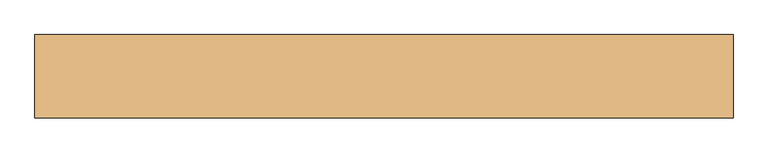
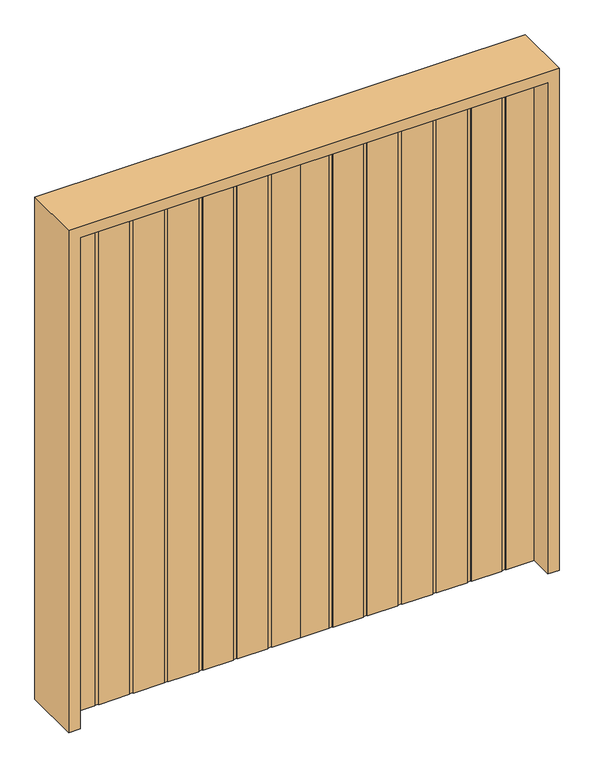
"""IFC4 building model written with IfcOpenShell, lengths in millimetres: door geometry."""

from ifc_helpers import new_model, si_unit, frame, origin, origin_with_axes, place, context, project, spatial, polyline, outline, extrude, source, transform, mapped, element, save


def door_be7a5c12(model_context):
    return source(origin(), model_context, "Body", "SweptSolid", [
        extrude(outline(polyline([(0.0, 22.225), (0.0, -22.225), (-111.2242188, -22.225), (-111.2242188, -19.05), (-126.5039063, -19.05), (-126.5039063, -22.225), (-246.5585938, -22.225), (-246.5585938, -19.05), (-261.8382813, -19.05), (-261.8382813, -22.225), (-381.8929688, -22.225), (-381.8929688, -19.05), (-397.1726563, -19.05), (-397.1726563, -22.225), (-517.2273438, -22.225), (-517.2273438, -19.05), (-532.5070313, -19.05), (-532.5070313, -22.225), (-652.5617188, -22.225), (-652.5617188, -19.05), (-667.8414063, -19.05), (-667.8414063, -22.225), (-787.8960938, -22.225), (-787.8960938, -19.05), (-803.1757813, -19.05), (-803.1757813, -22.225), (-914.4, -22.225), (-914.4, 22.225), (-803.1757813, 22.225), (-803.1757813, 19.05), (-787.8960938, 19.05), (-787.8960938, 22.225), (-667.8414063, 22.225), (-667.8414063, 19.05), (-652.5617188, 19.05), (-652.5617188, 22.225), (-532.5070313, 22.225), (-532.5070313, 19.05), (-517.2273438, 19.05), (-517.2273438, 22.225), (-397.1726563, 22.225), (-397.1726563, 19.05), (-381.8929688, 19.05), (-381.8929688, 22.225), (-261.8382813, 22.225), (-261.8382813, 19.05), (-246.5585938, 19.05), (-246.5585938, 22.225), (-126.5039063, 22.225), (-126.5039063, 19.05), (-111.2242188, 19.05), (-111.2242188, 22.225), (0.0, 22.225)])), origin_with_axes(), (0.0, 0.0, 1.0), 2032.0),
        extrude(outline(polyline([(0.0, 22.225), (111.2242187, 22.225), (111.2242187, 19.05), (126.5039062, 19.05), (126.5039062, 22.225), (246.5585937, 22.225), (246.5585937, 19.05), (261.8382812, 19.05), (261.8382812, 22.225), (381.8929687, 22.225), (381.8929687, 19.05), (397.1726562, 19.05), (397.1726562, 22.225), (517.2273437, 22.225), (517.2273437, 19.05), (532.5070312, 19.05), (532.5070312, 22.225), (652.5617187, 22.225), (652.5617187, 19.05), (667.8414062, 19.05), (667.8414062, 22.225), (787.8960937, 22.225), (787.8960937, 19.05), (803.1757812, 19.05), (803.1757812, 22.225), (914.4, 22.225), (914.4, -22.225), (803.1757812, -22.225), (803.1757812, -19.05), (787.8960937, -19.05), (787.8960937, -22.225), (667.8414062, -22.225), (667.8414062, -19.05), (652.5617187, -19.05), (652.5617187, -22.225), (532.5070312, -22.225), (532.5070312, -19.05), (517.2273437, -19.05), (517.2273437, -22.225), (397.1726562, -22.225), (397.1726562, -19.05), (381.8929687, -19.05), (381.8929687, -22.225), (261.8382812, -22.225), (261.8382812, -19.05), (246.5585937, -19.05), (246.5585937, -22.225), (126.5039062, -22.225), (126.5039062, -19.05), (111.2242187, -19.05), (111.2242187, -22.225), (0.0, -22.225), (0.0, 22.225)])), origin_with_axes(), (0.0, 0.0, 1.0), 2032.0),
        extrude(outline(polyline([(0.0, -958.85), (0.0, -914.4), (2032.0, -914.4), (2032.0, 914.4), (0.0, 914.4), (0.0, 958.85), (2076.45, 958.85), (2076.45, -958.85), (0.0, -958.85)])), frame((0.0, -114.3, 0.0), z_axis=(0.0, 1.0, 0.0), x_axis=(0.0, 0.0, 1.0)), (0.0, 0.0, 1.0), 228.6),
    ])


if __name__ == "__main__":
    model = new_model("IFC4")
    model_context = context("Model", 3, world=origin())
    ifc_project = project(units=[si_unit("LENGTHUNIT", "METRE", prefix="MILLI")], contexts=[model_context])
    site = spatial("IfcSite", under=ifc_project)
    building = spatial("IfcBuilding", under=site)
    placement = place(None, origin())
    door_shape = door_be7a5c12(model_context)
    element("IfcDoor", 1, at=placement, inside=building, context=model_context, shape_type="MappedRepresentation", body=[
        mapped(door_shape, transform((0.0, 0.0, 0.0), x_axis=(1.0, 0.0, 0.0), y_axis=(0.0, 1.0, 0.0), z_axis=(0.0, 0.0, 1.0))),
    ])
    save(model, "model.ifc")
